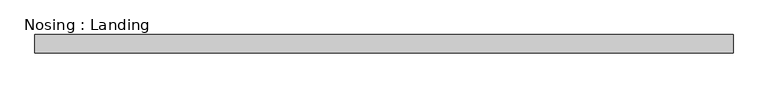
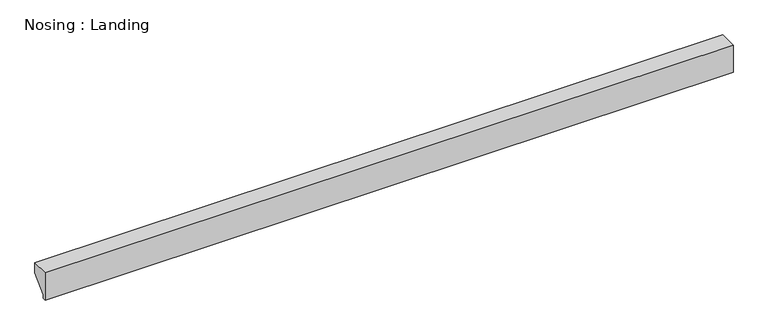
"""IFC4 building model written with IfcOpenShell, lengths in millimetres: proxy geometry, Nosing : Landing."""

from ifc_helpers import new_model, si_unit, frame, origin, place, context, project, spatial, polyline, outline, extrude, source, transform, mapped, element, save


def nosing_landing_f77440aa(model_context):
    return source(origin(), model_context, "Body", "SweptSolid", [
        extrude(outline(polyline([(31.75, 0.0), (31.75, -19.05), (6.35, -44.45), (6.35, -50.8), (0.0, -50.8), (0.0, 0.0), (31.75, 0.0)])), frame((0.0, 0.0, 0.0), z_axis=(1.0, 0.0, 0.0), x_axis=(0.0, 1.0, 0.0)), (0.0, 0.0, 1.0), 1219.2),
    ])


if __name__ == "__main__":
    model = new_model("IFC4")
    model_context = context("Model", 3, world=origin())
    ifc_project = project(units=[si_unit("LENGTHUNIT", "METRE", prefix="MILLI")], contexts=[model_context])
    site = spatial("IfcSite", under=ifc_project)
    building = spatial("IfcBuilding", under=site)
    placement = place(None, origin())
    nosing_landing_shape = nosing_landing_f77440aa(model_context)
    element("IfcBuildingElementProxy", 1, Name="Nosing : Landing", ObjectType="Nosing : Landing", at=placement, inside=building, context=model_context, shape_type="MappedRepresentation", body=[
        mapped(nosing_landing_shape, transform((0.0, 0.0, 0.0), x_axis=(1.0, 0.0, 0.0), y_axis=(0.0, 1.0, 0.0), z_axis=(0.0, 0.0, 1.0))),
    ])
    save(model, "model.ifc")
